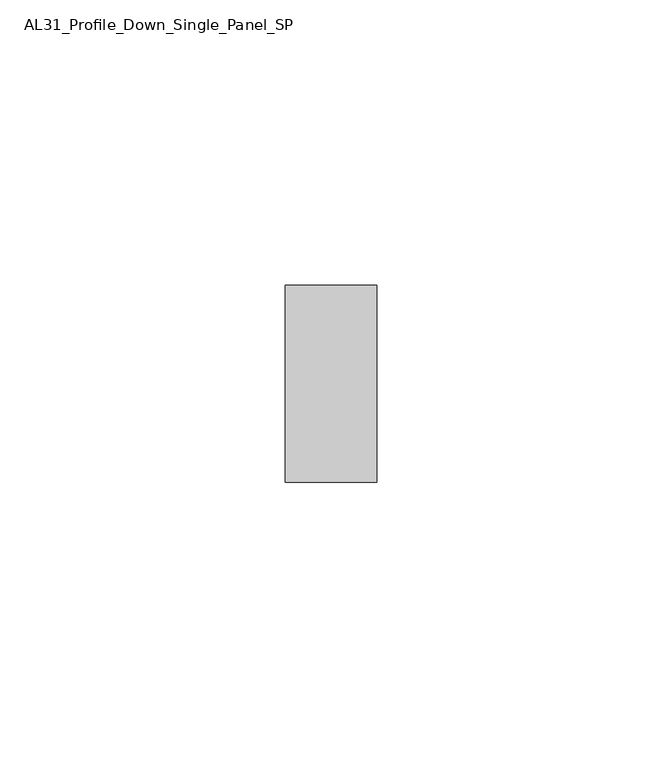
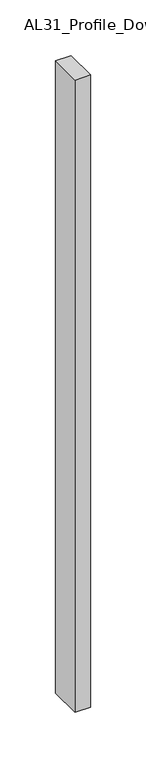
"""IFC4 building model written with IfcOpenShell, lengths in millimetres: member geometry, AL31_Profile_Down_Single_Panel_SP."""

from ifc_helpers import new_model, si_unit, frame, origin, place, context, project, spatial, polyline, outline, extrude, source, transform, mapped, element, save


def al31_profile_down_single_panel_sp_e9357ec9(model_context):
    return source(origin(), model_context, "Body", "SweptSolid", [
        extrude(outline(polyline([(0.0, -17.25), (-16.0, -17.25), (-16.0, 17.25), (0.0, 17.25), (0.0, -17.25)])), frame((0.0, 0.0, -690.9811064), z_axis=(0.0, 0.0, 1.0), x_axis=(1.0, 0.0, 0.0)), (0.0, 0.0, 1.0), 690.9811064),
    ])


if __name__ == "__main__":
    model = new_model("IFC4")
    model_context = context("Model", 3, world=origin())
    ifc_project = project(units=[si_unit("LENGTHUNIT", "METRE", prefix="MILLI")], contexts=[model_context])
    site = spatial("IfcSite", under=ifc_project)
    building = spatial("IfcBuilding", under=site)
    placement = place(None, origin())
    al31_profile_down_single_panel_sp_shape = al31_profile_down_single_panel_sp_e9357ec9(model_context)
    element("IfcMember", 1, ObjectType="AL31_Profile_Down_Single_Panel_SP", at=placement, inside=building, context=model_context, shape_type="MappedRepresentation", body=[
        mapped(al31_profile_down_single_panel_sp_shape, transform((0.0, 0.0, 0.0), x_axis=(1.0, 0.0, 0.0), y_axis=(0.0, 1.0, 0.0), z_axis=(0.0, 0.0, 1.0))),
    ])
    save(model, "model.ifc")
